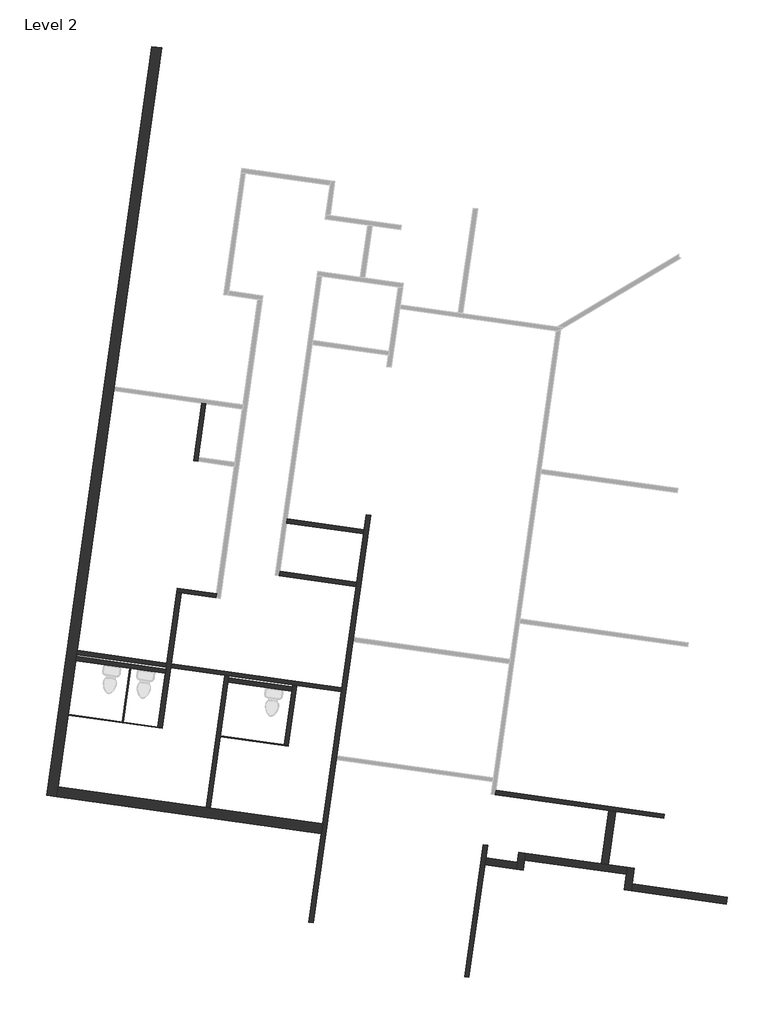
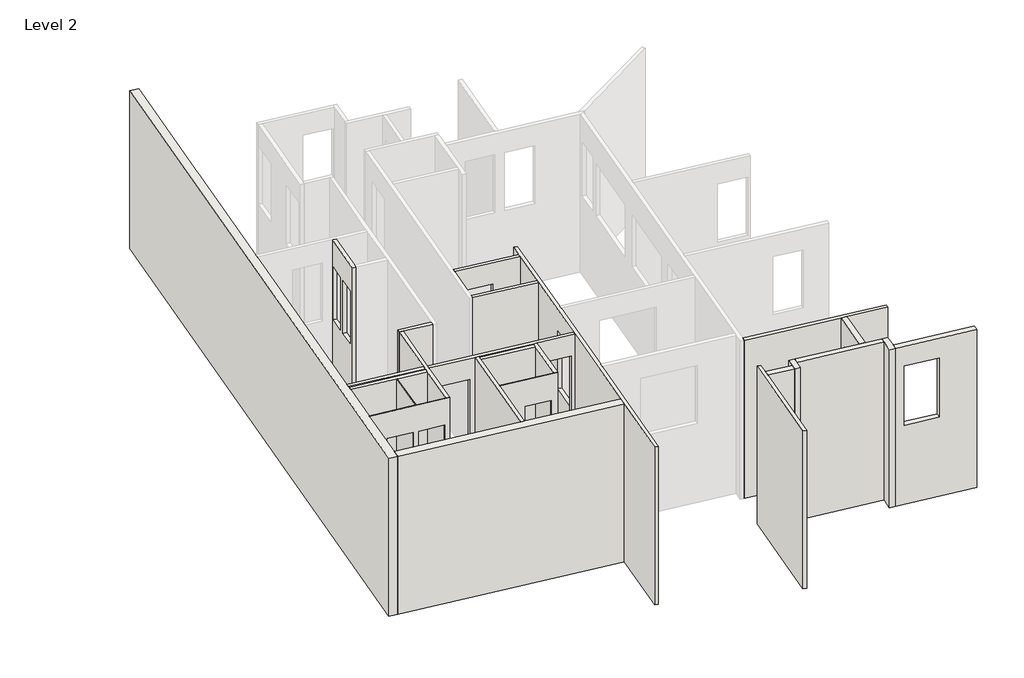
# One storey, part 1 of 2: 24 walls.
"""IFC4 building model written with IfcOpenShell, lengths in millimetres."""

from ifc_helpers import new_model, si_unit, frame, origin, place, context, project, spatial, polyline, outline, extrude, faceted_brep, element, save

model = new_model("IFC4")

# Units and contexts
model_context = context("Model", 3, world=origin())
ifc_project = project(units=[si_unit("LENGTHUNIT", "METRE", prefix="MILLI")], contexts=[model_context])

# Site, building, storey
site = spatial("IfcSite", under=ifc_project)
building = spatial("IfcBuilding", under=site)
storey = spatial("IfcBuildingStorey", under=building, Name="Level 2", Elevation=3048.0)

# Walls
placement = place(None, origin())
element("IfcWall", 1, ObjectType="Generic - 12\" Masonry", at=placement, inside=storey, context=model_context, shape_type="Brep", body=[
    faceted_brep([(10433.3346911, 21628.7759422, 3048.0), (7393.2374737, -2.6397514, 3048.0), (7393.2374737, -2.6397514, 9144.0), (10433.3346911, 21628.7759422, 9144.0), (7685.6388777, -43.7340888, 3048.0), (7726.7332151, 248.6673152, 3048.0), (8016.1610752, 2308.0535476, 3048.0), (8019.6960719, 2333.2063566, 3048.0), (8237.0983729, 3880.1041068, 3048.0), (8254.7733568, 4005.8681515, 3048.0), (8261.8433503, 4056.1737694, 3048.0), (8279.5183341, 4181.9378141, 3048.0), (9332.9473699, 11677.47488, 3048.0), (9350.6223537, 11803.2389248, 3048.0), (10725.7360951, 21587.6816048, 3048.0), (10725.7360951, 21587.6816048, 9144.0), (10036.411726, 16682.8838603, 9144.0), (10032.8767292, 16657.7310514, 9144.0), (9350.6223537, 11803.2389248, 9144.0), (9332.9473699, 11677.47488, 9144.0), (8279.5183341, 4181.9378141, 9144.0), (8261.8433503, 4056.1737694, 9144.0), (8254.7733568, 4005.8681515, 9144.0), (8237.0983729, 3880.1041068, 9144.0), (8019.6960719, 2333.2063566, 9144.0), (8016.1610752, 2308.0535476, 9144.0), (7726.7332151, 248.6673152, 9144.0), (7685.6388777, -43.7340888, 9144.0), (10595.2558987, 21606.0194005, 3048.0), (10599.9720503, 21605.3565886, 9144.0)], [[[0, 1, 2, 3]], [[4, 5, 6, 7, 8, 9, 10, 11, 12, 13, 14, 15, 16, 17, 18, 19, 20, 21, 22, 23, 24, 25, 26, 27]], [[1, 0, 28, 14, 13, 12, 11, 10, 9, 8, 7, 6, 5, 4]], [[3, 2, 27, 26, 25, 24, 23, 22, 21, 20, 19, 18, 17, 16, 15, 29]], [[0, 3, 29, 15, 14, 28]], [[2, 1, 4, 27]]]),
])
element("IfcWall", 2, ObjectType="Generic - 12\" Masonry", at=placement, inside=storey, context=model_context, shape_type="Brep", body=[
    faceted_brep([(15373.1871347, -825.9717012, 3048.0), (12128.4747806, -369.9571186, 3048.0), (12002.7107359, -352.2821348, 3048.0), (7726.7332151, 248.6673152, 3048.0), (7726.7332151, 248.6673152, 9144.0), (12002.7107359, -352.2821348, 9144.0), (12128.4747806, -369.9571186, 9144.0), (15373.1871347, -825.9717012, 9144.0), (15332.0927973, -1118.3731052, 3048.0), (15332.0927973, -1118.3731052, 9144.0), (7685.6388777, -43.7340888, 9144.0), (7685.6388777, -43.7340888, 3048.0)], [[[0, 1, 2, 3, 4, 5, 6, 7]], [[8, 9, 10, 11]], [[3, 2, 1, 0, 8, 11]], [[7, 6, 5, 4, 10, 9]], [[4, 3, 11, 10]], [[0, 7, 9, 8]]]),
])
element("IfcWall", 3, ObjectType="Generic - 5\"", at=placement, inside=storey, context=model_context, shape_type="Brep", body=[
    faceted_brep([(11873.3810734, 11320.4402068, 3048.0), (11640.071287, 9660.3548164, 3048.0), (11640.071287, 9660.3548164, 9144.0), (11873.3810734, 11320.4402068, 9144.0), (11751.4236851, 10452.6682982, 6096.0), (11751.4236851, 10452.6682982, 8128.0), (11666.5837627, 9849.0008835, 8128.0), (11666.5837627, 9849.0008835, 6096.0), (11779.7036592, 10653.8907698, 6096.0), (11864.5435815, 11257.5581845, 6096.0), (11864.5435815, 11257.5581845, 8128.0), (11779.7036592, 10653.8907698, 8128.0), (11999.1451182, 11302.765223, 3048.0), (11999.1451182, 11302.765223, 9144.0), (11783.5103155, 9768.4438773, 9144.0), (11765.8353317, 9642.6798326, 9144.0), (11765.8353317, 9642.6798326, 3048.0), (11783.5103155, 9768.4438773, 3048.0), (11877.1877298, 10434.9933144, 6096.0), (11792.3478075, 9831.3258997, 6096.0), (11792.3478075, 9831.3258997, 8128.0), (11877.1877298, 10434.9933144, 8128.0), (11905.4677039, 10636.2157859, 6096.0), (11905.4677039, 10636.2157859, 8128.0), (11990.3076263, 11239.8832006, 8128.0), (11990.3076263, 11239.8832006, 6096.0)], [[[0, 1, 2, 3], [4, 5, 6, 7], [8, 9, 10, 11]], [[12, 13, 14, 15, 16, 17], [18, 19, 20, 21], [22, 23, 24, 25]], [[1, 0, 12, 17, 16]], [[3, 2, 15, 14, 13]], [[0, 3, 13, 12]], [[2, 1, 16, 15]], [[19, 18, 4, 7]], [[20, 19, 7, 6]], [[21, 20, 6, 5]], [[18, 21, 5, 4]], [[9, 8, 22, 25]], [[10, 9, 25, 24]], [[11, 10, 24, 23]], [[8, 11, 23, 22]]]),
])
element("IfcWall", 4, ObjectType="Generic - 5\"", at=placement, inside=storey, context=model_context, shape_type="Brep", body=[
    faceted_brep([(12306.1437799, 5821.8998623, 3048.0), (11174.2673773, 5980.9747167, 3048.0), (11174.2673773, 5980.9747167, 9144.0), (12306.1437799, 5821.8998623, 9144.0), (12288.468796, 5696.1358176, 3048.0), (12288.468796, 5696.1358176, 9144.0), (11282.3564382, 5837.5356882, 9144.0), (11156.5923935, 5855.210672, 9144.0), (11156.5923935, 5855.210672, 3048.0), (11282.3564382, 5837.5356882, 3048.0)], [[[0, 1, 2, 3]], [[4, 5, 6, 7, 8, 9]], [[1, 0, 4, 9, 8]], [[3, 2, 7, 6, 5]], [[0, 3, 5, 4]], [[2, 1, 8, 7]]]),
])
element("IfcWall", 5, ObjectType="Generic - 5\"", at=placement, inside=storey, context=model_context, shape_type="Brep", body=[
    faceted_brep([(11156.5923935, 5855.210672, 3048.0), (10870.2576556, 3817.8331474, 3048.0), (10852.5826717, 3692.0691027, 3048.0), (10845.5126782, 3641.7634848, 3048.0), (10827.8376944, 3515.99944, 3048.0), (10610.4353934, 1969.1016899, 3048.0), (10610.4353934, 1969.1016899, 9144.0), (10827.8376944, 3515.99944, 9144.0), (10845.5126782, 3641.7634848, 9144.0), (10852.5826717, 3692.0691027, 9144.0), (10870.2576556, 3817.8331474, 9144.0), (11156.5923935, 5855.210672, 9144.0), (11282.3564382, 5837.5356882, 3048.0), (11282.3564382, 5837.5356882, 9144.0), (10996.0217003, 3800.1581636, 9144.0), (10978.3467165, 3674.3941188, 9144.0), (10736.1994381, 1951.426706, 9144.0), (10736.1994381, 1951.426706, 3048.0), (10978.3467165, 3674.3941188, 3048.0), (10996.0217003, 3800.1581636, 3048.0)], [[[0, 1, 2, 3, 4, 5, 6, 7, 8, 9, 10, 11]], [[12, 13, 14, 15, 16, 17, 18, 19]], [[5, 4, 3, 2, 1, 0, 12, 19, 18, 17]], [[11, 10, 9, 8, 7, 6, 16, 15, 14, 13]], [[0, 11, 13, 12]], [[6, 5, 17, 16]]]),
])
element("IfcWall", 6, ObjectType="Generic - 5\"", at=placement, inside=storey, context=model_context, shape_type="Brep", body=[
    faceted_brep([(8279.5183341, 4181.9378141, 3048.0), (8279.5183341, 4181.9378141, 9144.0), (10870.2576556, 3817.8331474, 9144.0), (10870.2576556, 3817.8331474, 3048.0), (8261.8433503, 4056.1737694, 9144.0), (8261.8433503, 4056.1737694, 3048.0), (10852.5826717, 3692.0691027, 3048.0), (10852.5826717, 3692.0691027, 9144.0)], [[[0, 1, 2, 3]], [[4, 5, 6, 7]], [[5, 0, 3, 6]], [[1, 4, 7, 2]], [[1, 0, 5, 4]], [[3, 2, 7, 6]]]),
    faceted_brep([(15925.9722537, 3107.2987977, 9144.0), (15925.9722537, 3107.2987977, 3048.0), (10996.0217003, 3800.1581636, 3048.0), (10996.0217003, 3800.1581636, 9144.0), (15806.4964112, 3124.0900324, 6096.0), (15806.4964112, 3124.0900324, 8331.2), (14800.3840534, 3265.4899029, 8331.2), (14800.3840534, 3265.4899029, 6096.0), (12366.8497878, 3607.5008399, 6096.0), (12366.8497878, 3607.5008399, 8331.2), (11360.73743, 3748.9007105, 8331.2), (11360.73743, 3748.9007105, 6096.0), (15908.2972699, 2981.534753, 3048.0), (15908.2972699, 2981.534753, 9144.0), (14625.5040136, 3161.819588, 9144.0), (14499.7399689, 3179.4945718, 9144.0), (12663.5849158, 3437.5493356, 9144.0), (12537.8208711, 3455.2243194, 9144.0), (10978.3467165, 3674.3941188, 9144.0), (10978.3467165, 3674.3941188, 3048.0), (12537.8208711, 3455.2243194, 3048.0), (12663.5849158, 3437.5493356, 3048.0), (14499.7399689, 3179.4945718, 3048.0), (14625.5040136, 3161.819588, 3048.0), (15788.8214274, 2998.3259876, 8331.2), (15788.8214274, 2998.3259876, 6096.0), (14782.7090695, 3139.7258582, 6096.0), (14782.7090695, 3139.7258582, 8331.2), (12349.174804, 3481.7367952, 8331.2), (12349.174804, 3481.7367952, 6096.0), (11343.0624462, 3623.1366657, 6096.0), (11343.0624462, 3623.1366657, 8331.2)], [[[0, 1, 2, 3], [4, 5, 6, 7], [8, 9, 10, 11]], [[12, 13, 14, 15, 16, 17, 18, 19, 20, 21, 22, 23], [24, 25, 26, 27], [28, 29, 30, 31]], [[1, 12, 23, 22, 21, 20, 19, 2]], [[13, 0, 3, 18, 17, 16, 15, 14]], [[1, 0, 13, 12]], [[3, 2, 19, 18]], [[5, 4, 25, 24]], [[6, 5, 24, 27]], [[7, 6, 27, 26]], [[4, 7, 26, 25]], [[9, 8, 29, 28]], [[10, 9, 28, 31]], [[11, 10, 31, 30]], [[8, 11, 30, 29]]]),
])
element("IfcWall", 7, ObjectType="Generic - 5\"", at=placement, inside=storey, context=model_context, shape_type="SweptSolid", body=[
    extrude(outline(polyline([(16336.0318784, 6025.0246355), (14122.5846911, 6336.1043507), (14140.2596749, 6461.8683955), (16353.7068622, 6150.7886802), (16336.0318784, 6025.0246355)])), frame((0.0, 0.0, 3048.0), z_axis=(0.0, 0.0, 1.0), x_axis=(1.0, 0.0, 0.0)), (0.0, 0.0, 1.0), 6096.0),
])
element("IfcWall", 8, ObjectType="Generic - 5\"", at=placement, inside=storey, context=model_context, shape_type="Brep", body=[
    faceted_brep([(20364.3206403, 11.5474503, 3048.0), (23634.1858033, -448.002129, 3048.0), (23835.4082748, -476.2821031, 3048.0), (25218.8127669, -670.7069252, 3048.0), (25218.8127669, -670.7069252, 9144.0), (23835.4082748, -476.2821031, 9144.0), (23634.1858033, -448.002129, 9144.0), (20364.3206403, 11.5474503, 9144.0), (20381.9956241, 137.3114951, 3048.0), (20381.9956241, 137.3114951, 9144.0), (25236.4877507, -544.9428805, 9144.0), (25236.4877507, -544.9428805, 3048.0)], [[[0, 1, 2, 3, 4, 5, 6, 7]], [[8, 9, 10, 11]], [[3, 2, 1, 0, 8, 11]], [[7, 6, 5, 4, 10, 9]], [[0, 7, 9, 8]], [[4, 3, 11, 10]]]),
])
element("IfcWall", 9, ObjectType="Generic - 5\"", at=placement, inside=storey, context=model_context, shape_type="Brep", body=[
    faceted_brep([(12537.8208711, 3455.2243194, 3048.0), (12002.7107359, -352.2821348, 3048.0), (12002.7107359, -352.2821348, 9144.0), (12537.8208711, 3455.2243194, 9144.0), (12663.5849158, 3437.5493356, 3048.0), (12663.5849158, 3437.5493356, 9144.0), (12656.5149223, 3387.2437177, 9144.0), (12638.8399385, 3261.479673, 9144.0), (12421.4376375, 1714.5819228, 9144.0), (12417.9026407, 1689.4291139, 9144.0), (12128.4747806, -369.9571186, 9144.0), (12128.4747806, -369.9571186, 3048.0), (12417.9026407, 1689.4291139, 3048.0), (12421.4376375, 1714.5819228, 3048.0), (12638.8399385, 3261.479673, 3048.0), (12656.5149223, 3387.2437177, 3048.0)], [[[0, 1, 2, 3]], [[4, 5, 6, 7, 8, 9, 10, 11, 12, 13, 14, 15]], [[1, 0, 4, 15, 14, 13, 12, 11]], [[3, 2, 10, 9, 8, 7, 6, 5]], [[0, 3, 5, 4]], [[2, 1, 11, 10]]]),
])
element("IfcWall", 10, ObjectType="Generic - 5\"", at=placement, inside=storey, context=model_context, shape_type="Brep", body=[
    faceted_brep([(14499.7399689, 3179.4945718, 3048.0), (14492.6699754, 3129.1889539, 3048.0), (14474.9949916, 3003.4249092, 3048.0), (14257.5926905, 1456.527159, 3048.0), (14257.5926905, 1456.527159, 9144.0), (14474.9949916, 3003.4249092, 9144.0), (14492.6699754, 3129.1889539, 9144.0), (14499.7399689, 3179.4945718, 9144.0), (14625.5040136, 3161.819588, 3048.0), (14625.5040136, 3161.819588, 9144.0), (14383.3567353, 1438.8521752, 9144.0), (14383.3567353, 1438.8521752, 3048.0)], [[[0, 1, 2, 3, 4, 5, 6, 7]], [[8, 9, 10, 11]], [[3, 2, 1, 0, 8, 11]], [[7, 6, 5, 4, 10, 9]], [[0, 7, 9, 8]], [[4, 3, 11, 10]]]),
])
element("IfcWall", 11, ObjectType="Generic - 5\"", at=placement, inside=storey, context=model_context, shape_type="Brep", body=[
    faceted_brep([(8237.0983729, 3880.1041068, 3048.0), (9796.5725276, 3660.9343074, 3048.0), (9821.7253365, 3657.3993106, 3048.0), (10827.8376944, 3515.99944, 3048.0), (10827.8376944, 3515.99944, 9144.0), (9821.7253365, 3657.3993106, 9144.0), (9796.5725276, 3660.9343074, 9144.0), (8237.0983729, 3880.1041068, 9144.0), (8254.7733568, 4005.8681515, 3048.0), (8254.7733568, 4005.8681515, 9144.0), (10845.5126782, 3641.7634848, 9144.0), (10845.5126782, 3641.7634848, 3048.0)], [[[0, 1, 2, 3, 4, 5, 6, 7]], [[8, 9, 10, 11]], [[3, 2, 1, 0, 8, 11]], [[7, 6, 5, 4, 10, 9]], [[0, 7, 9, 8]], [[4, 3, 11, 10]]]),
])
element("IfcWall", 12, ObjectType="Generic - 5\"", at=placement, inside=storey, context=model_context, shape_type="SweptSolid", body=[
    extrude(outline(polyline([(14474.9949916, 3003.4249092), (12638.8399385, 3261.479673), (12656.5149223, 3387.2437177), (14492.6699754, 3129.1889539), (14474.9949916, 3003.4249092)])), frame((0.0, 0.0, 3048.0), z_axis=(0.0, 0.0, 1.0), x_axis=(1.0, 0.0, 0.0)), (0.0, 0.0, 1.0), 6096.0),
])
element("IfcWall", 13, ObjectType="Generic - 5\"", at=placement, inside=storey, context=model_context, shape_type="Brep", body=[
    faceted_brep([(20008.3739743, -1426.1054879, 3048.0), (19471.0544661, -5249.3324477, 3048.0), (19471.0544661, -5249.3324477, 9144.0), (20008.3739743, -1426.1054879, 9144.0), (20134.138019, -1443.7804718, 3048.0), (20134.138019, -1443.7804718, 9144.0), (20082.071099, -1814.2558579, 9144.0), (20053.7911249, -2015.4783295, 9144.0), (19596.8185108, -5267.0074316, 9144.0), (19596.8185108, -5267.0074316, 3048.0), (20053.7911249, -2015.4783295, 3048.0), (20082.071099, -1814.2558579, 3048.0)], [[[0, 1, 2, 3]], [[4, 5, 6, 7, 8, 9, 10, 11]], [[1, 0, 4, 11, 10, 9]], [[2, 1, 9, 8]], [[3, 2, 8, 7, 6, 5]], [[0, 3, 5, 4]]]),
])
element("IfcWall", 14, ObjectType="Generic - 5\"", at=placement, inside=storey, context=model_context, shape_type="SweptSolid", body=[
    extrude(outline(polyline([(0.0, 0.0), (2235.2, 0.0), (2235.2, -6096.0), (0.0, -6096.0), (0.0, 0.0)]), holes=[polyline([(279.4, -3048.0), (279.4, -5283.2), (1295.4, -5283.2), (1295.4, -3048.0), (279.4, -3048.0)])]), frame((14336.4519954, 7857.849292, 3048.0), z_axis=(0.13917310096007782, 0.9902680687415687, 0.0), x_axis=(0.9902680687415687, -0.13917310096007782, 0.0)), (0.0, 0.0, 1.0), 127.0),
])
element("IfcWall", 15, ObjectType="Generic - 5\"", at=placement, inside=storey, context=model_context, shape_type="Brep", body=[
    faceted_brep([(16627.6691114, 8100.1313735, 3048.0), (16567.5741664, 7672.5336214, 3048.0), (16549.8991826, 7546.7695767, 3048.0), (16353.7068622, 6150.7886802, 3048.0), (16336.0318784, 6025.0246355, 3048.0), (15925.9722537, 3107.2987977, 3048.0), (15908.2972699, 2981.534753, 3048.0), (15373.1871347, -825.9717012, 3048.0), (15332.0927973, -1118.3731052, 3048.0), (14973.7325003, -3668.2391121, 3048.0), (14973.7325003, -3668.2391121, 9144.0), (15332.0927973, -1118.3731052, 9144.0), (15373.1871347, -825.9717012, 9144.0), (15908.2972699, 2981.534753, 9144.0), (15925.9722537, 3107.2987977, 9144.0), (16336.0318784, 6025.0246355, 9144.0), (16353.7068622, 6150.7886802, 9144.0), (16549.8991826, 7546.7695767, 9144.0), (16567.5741664, 7672.5336214, 9144.0), (16627.6691114, 8100.1313735, 9144.0), (16110.23396, 4418.3889641, 6096.0), (16110.23396, 4418.3889641, 8331.2), (15968.8340895, 3412.2766062, 8331.2), (15968.8340895, 3412.2766062, 6096.0), (16753.4331562, 8082.4563897, 3048.0), (16753.4331562, 8082.4563897, 9144.0), (16258.9754837, 4564.2072384, 9144.0), (16241.3004999, 4438.4431937, 9144.0), (15778.2159238, 1143.4252217, 9144.0), (15760.54094, 1017.661177, 9144.0), (15099.496545, -3685.9140959, 9144.0), (15099.496545, -3685.9140959, 3048.0), (15760.54094, 1017.661177, 3048.0), (15778.2159238, 1143.4252217, 3048.0), (16241.3004999, 4438.4431937, 3048.0), (16258.9754837, 4564.2072384, 3048.0), (16235.9980048, 4400.7139802, 6096.0), (16094.5981342, 3394.6016224, 6096.0), (16094.5981342, 3394.6016224, 8331.2), (16235.9980048, 4400.7139802, 8331.2)], [[[0, 1, 2, 3, 4, 5, 6, 7, 8, 9, 10, 11, 12, 13, 14, 15, 16, 17, 18, 19], [20, 21, 22, 23]], [[24, 25, 26, 27, 28, 29, 30, 31, 32, 33, 34, 35], [36, 37, 38, 39]], [[9, 8, 7, 6, 5, 4, 3, 2, 1, 0, 24, 35, 34, 33, 32, 31]], [[10, 9, 31, 30]], [[19, 18, 17, 16, 15, 14, 13, 12, 11, 10, 30, 29, 28, 27, 26, 25]], [[0, 19, 25, 24]], [[21, 20, 36, 39]], [[22, 21, 39, 38]], [[23, 22, 38, 37]], [[20, 23, 37, 36]]]),
])
element("IfcWall", 16, ObjectType="Generic - 8\"", at=placement, inside=storey, context=model_context, shape_type="SweptSolid", body=[
    extrude(outline(polyline([(20959.2922469, -2142.738213), (20053.7911249, -2015.4783295), (20082.071099, -1814.2558579), (20987.5722211, -1941.5157414), (20959.2922469, -2142.738213)])), frame((0.0, 0.0, 3048.0), z_axis=(0.0, 0.0, 1.0), x_axis=(1.0, 0.0, 0.0)), (0.0, 0.0, 1.0), 6096.0),
])
element("IfcWall", 17, ObjectType="Generic - 8\"", at=placement, inside=storey, context=model_context, shape_type="Brep", body=[
    faceted_brep([(21160.5147185, -2171.0181871, 3048.0), (21202.2718678, -1873.9006314, 3048.0), (21230.5518419, -1672.6781598, 3048.0), (21230.5518419, -1672.6781598, 9144.0), (21202.2718678, -1873.9006314, 9144.0), (21160.5147185, -2171.0181871, 9144.0), (20959.2922469, -2142.738213, 3048.0), (20959.2922469, -2142.738213, 9144.0), (21029.3293703, -1644.3981857, 9144.0), (21029.3293703, -1644.3981857, 3048.0)], [[[0, 1, 2, 3, 4, 5]], [[6, 7, 8, 9]], [[2, 1, 0, 6, 9]], [[5, 4, 3, 8, 7]], [[0, 5, 7, 6]], [[3, 2, 9, 8]]]),
])
element("IfcWall", 18, ObjectType="Generic - 8\"", at=placement, inside=storey, context=model_context, shape_type="SweptSolid", body=[
    extrude(outline(polyline([(24145.1505145, -2287.4952528), (21202.2718678, -1873.9006314), (21230.5518419, -1672.6781598), (24173.4304886, -2086.2727813), (24145.1505145, -2287.4952528)])), frame((0.0, 0.0, 3048.0), z_axis=(0.0, 0.0, 1.0), x_axis=(1.0, 0.0, 0.0)), (0.0, 0.0, 1.0), 6096.0),
])
element("IfcWall", 19, ObjectType="Generic - 8\"", at=placement, inside=storey, context=model_context, shape_type="SweptSolid", body=[
    extrude(outline(polyline([(101.5999999, 0.0), (1648.8787598, 0.0), (1648.8787598, -6096.0), (101.5999999, -6096.0), (101.5999999, 0.0)]), holes=[polyline([(1320.7999999, -5181.6), (1320.7999999, -3048.0), (406.4, -3048.0), (406.4, -5181.6), (1320.7999999, -5181.6)])]), frame((23605.9287047, -2109.1140882, 3048.0), z_axis=(-0.9902680687415697, 0.1391731009600699, 0.0), x_axis=(0.1391731009600699, 0.9902680687415697, 0.0)), (0.0, 0.0, 1.0), 203.2),
])
element("IfcWall", 20, ObjectType="Generic - 8\"", at=placement, inside=storey, context=model_context, shape_type="Brep", body=[
    faceted_brep([(24173.4304886, -2086.2727813, 3048.0), (24145.1505145, -2287.4952528, 3048.0), (24082.5881181, -2732.649834, 3048.0), (24082.5881181, -2732.649834, 9144.0), (24145.1505145, -2287.4952528, 9144.0), (24173.4304886, -2086.2727813, 9144.0), (24374.6529602, -2114.5527554, 3048.0), (24374.6529602, -2114.5527554, 9144.0), (24312.0905638, -2559.7073365, 9144.0), (24283.8105896, -2760.9298081, 9144.0), (24283.8105896, -2760.9298081, 3048.0), (24312.0905638, -2559.7073365, 3048.0)], [[[0, 1, 2, 3, 4, 5]], [[6, 7, 8, 9, 10, 11]], [[2, 1, 0, 6, 11, 10]], [[5, 4, 3, 9, 8, 7]], [[0, 5, 7, 6]], [[3, 2, 10, 9]]]),
])
element("IfcWall", 21, ObjectType="Generic - 8\"", at=placement, inside=storey, context=model_context, shape_type="Brep", body=[
    faceted_brep([(24283.8105896, -2760.9298081, 3048.0), (27025.4667648, -3146.2444554, 3048.0), (27025.4667648, -3146.2444554, 9144.0), (24283.8105896, -2760.9298081, 9144.0), (25769.4107464, -2969.7172942, 6096.0), (24581.0890639, -2802.709573, 6096.0), (24581.0890639, -2802.709573, 8386.0), (25769.4107464, -2969.7172942, 8386.0), (24312.0905638, -2559.7073365, 3048.0), (24312.0905638, -2559.7073365, 9144.0), (27053.7467389, -2945.0219839, 9144.0), (27053.7467389, -2945.0219839, 8331.2), (27053.7467389, -2945.0219839, 6096.0), (27053.7467389, -2945.0219839, 3048.0), (25797.6907205, -2768.4948226, 6096.0), (25797.6907205, -2768.4948226, 8386.0), (24609.369038, -2601.4871015, 8386.0), (24609.369038, -2601.4871015, 6096.0)], [[[0, 1, 2, 3], [4, 5, 6, 7]], [[8, 9, 10, 11, 12, 13], [14, 15, 16, 17]], [[1, 0, 8, 13]], [[3, 2, 10, 9]], [[0, 3, 9, 8]], [[2, 1, 13, 12, 11, 10]], [[5, 4, 14, 17]], [[6, 5, 17, 16]], [[7, 6, 16, 15]], [[4, 7, 15, 14]]]),
])
element("IfcWall", 22, ObjectType="interior bathroom partition - 1\"", at=placement, inside=storey, context=model_context, shape_type="SweptSolid", body=[
    extrude(outline(polyline([(9579.1702266, 2114.0365572), (9796.5725276, 3660.9343074), (9821.7253365, 3657.3993106), (9604.3230355, 2110.5015604), (9579.1702266, 2114.0365572)])), frame((0.0, 0.0, 3048.0), z_axis=(0.0, 0.0, 1.0), x_axis=(1.0, 0.0, 0.0)), (0.0, 0.0, 1.0), 6096.0),
])
element("IfcWall", 23, ObjectType="interior bathroom partition - 1\"", at=placement, inside=storey, context=model_context, shape_type="Brep", body=[
    faceted_brep([(10736.1994381, 1951.426706, 3048.0), (10610.4353934, 1969.1016899, 3048.0), (9604.3230355, 2110.5015604, 3048.0), (9579.1702266, 2114.0365572, 3048.0), (8019.6960719, 2333.2063566, 3048.0), (8019.6960719, 2333.2063566, 9144.0), (9579.1702266, 2114.0365572, 9144.0), (9604.3230355, 2110.5015604, 9144.0), (10610.4353934, 1969.1016899, 9144.0), (10736.1994381, 1951.426706, 9144.0), (10560.1297755, 1976.1716834, 6096.0), (10560.1297755, 1976.1716834, 8128.0), (9679.7814624, 2099.8965701, 8128.0), (9679.7814624, 2099.8965701, 6096.0), (9503.7117997, 2124.6415475, 6096.0), (9503.7117997, 2124.6415475, 8128.0), (8623.3634866, 2248.3664342, 8128.0), (8623.3634866, 2248.3664342, 6096.0), (10732.6644413, 1926.2738971, 3048.0), (10732.6644413, 1926.2738971, 9144.0), (8016.1610752, 2308.0535476, 9144.0), (8016.1610752, 2308.0535476, 3048.0), (10556.5947787, 1951.0188744, 6096.0), (9676.2464656, 2074.7437612, 6096.0), (9676.2464656, 2074.7437612, 8128.0), (10556.5947787, 1951.0188744, 8128.0), (9500.176803, 2099.4887385, 6096.0), (8619.8284899, 2223.2136253, 6096.0), (8619.8284899, 2223.2136253, 8128.0), (9500.176803, 2099.4887385, 8128.0)], [[[0, 1, 2, 3, 4, 5, 6, 7, 8, 9], [10, 11, 12, 13], [14, 15, 16, 17]], [[18, 19, 20, 21], [22, 23, 24, 25], [26, 27, 28, 29]], [[4, 3, 2, 1, 0, 18, 21]], [[9, 8, 7, 6, 5, 20, 19]], [[5, 4, 21, 20]], [[0, 9, 19, 18]], [[23, 22, 10, 13]], [[24, 23, 13, 12]], [[25, 24, 12, 11]], [[22, 25, 11, 10]], [[27, 26, 14, 17]], [[28, 27, 17, 16]], [[29, 28, 16, 15]], [[26, 29, 15, 14]]]),
])
element("IfcWall", 24, ObjectType="interior bathroom partition - 1\"", at=placement, inside=storey, context=model_context, shape_type="Brep", body=[
    faceted_brep([(14383.3567353, 1438.8521752, 3048.0), (14257.5926905, 1456.527159, 3048.0), (12421.4376375, 1714.5819228, 3048.0), (12421.4376375, 1714.5819228, 9144.0), (14257.5926905, 1456.527159, 9144.0), (14383.3567353, 1438.8521752, 9144.0), (14156.9814548, 1470.6671461, 6096.0), (14156.9814548, 1470.6671461, 8128.0), (13276.6331416, 1594.3920328, 8128.0), (13276.6331416, 1594.3920328, 6096.0), (14379.8217385, 1413.6993662, 3048.0), (14379.8217385, 1413.6993662, 9144.0), (12417.9026407, 1689.4291139, 9144.0), (12417.9026407, 1689.4291139, 3048.0), (14153.446458, 1445.5143371, 6096.0), (13273.0981449, 1569.2392239, 6096.0), (13273.0981449, 1569.2392239, 8128.0), (14153.446458, 1445.5143371, 8128.0)], [[[0, 1, 2, 3, 4, 5], [6, 7, 8, 9]], [[10, 11, 12, 13], [14, 15, 16, 17]], [[2, 1, 0, 10, 13]], [[5, 4, 3, 12, 11]], [[0, 5, 11, 10]], [[3, 2, 13, 12]], [[15, 14, 6, 9]], [[16, 15, 9, 8]], [[17, 16, 8, 7]], [[14, 17, 7, 6]]]),
])

save(model, "model.ifc")
